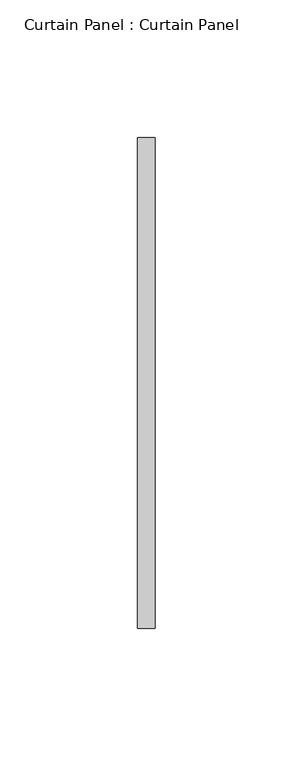
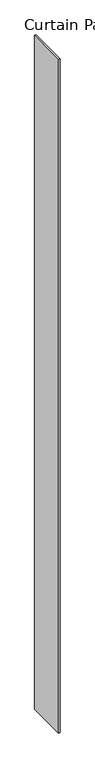
"""IFC4 building model written with IfcOpenShell, lengths in millimetres: plate geometry, Curtain Panel : Curtain Panel."""

from ifc_helpers import new_model, si_unit, origin, origin_with_axes, place, context, project, spatial, polyline, outline, extrude, source, transform, mapped, element, save


def curtain_panel_curtain_panel_6d04029f(model_context):
    return source(origin(), model_context, "Body", "SweptSolid", [
        extrude(outline(polyline([(17753.0379687, 5075.9700598), (17753.0379687, 4898.1700598), (17746.6879687, 4898.1700598), (17746.6879687, 5075.9700598), (17753.0379687, 5075.9700598)])), origin_with_axes(), (0.0, 0.0, 1.0), 3048.0),
    ])


if __name__ == "__main__":
    model = new_model("IFC4")
    model_context = context("Model", 3, world=origin())
    ifc_project = project(units=[si_unit("LENGTHUNIT", "METRE", prefix="MILLI")], contexts=[model_context])
    site = spatial("IfcSite", under=ifc_project)
    building = spatial("IfcBuilding", under=site)
    placement = place(None, origin())
    curtain_panel_curtain_panel_shape = curtain_panel_curtain_panel_6d04029f(model_context)
    element("IfcPlate", 1, ObjectType="Curtain Panel : Curtain Panel", at=placement, inside=building, context=model_context, shape_type="MappedRepresentation", body=[
        mapped(curtain_panel_curtain_panel_shape, transform((0.0, 0.0, 0.0), x_axis=(1.0, 0.0, 0.0), y_axis=(0.0, 1.0, 0.0), z_axis=(0.0, 0.0, 1.0))),
    ])
    save(model, "model.ifc")
